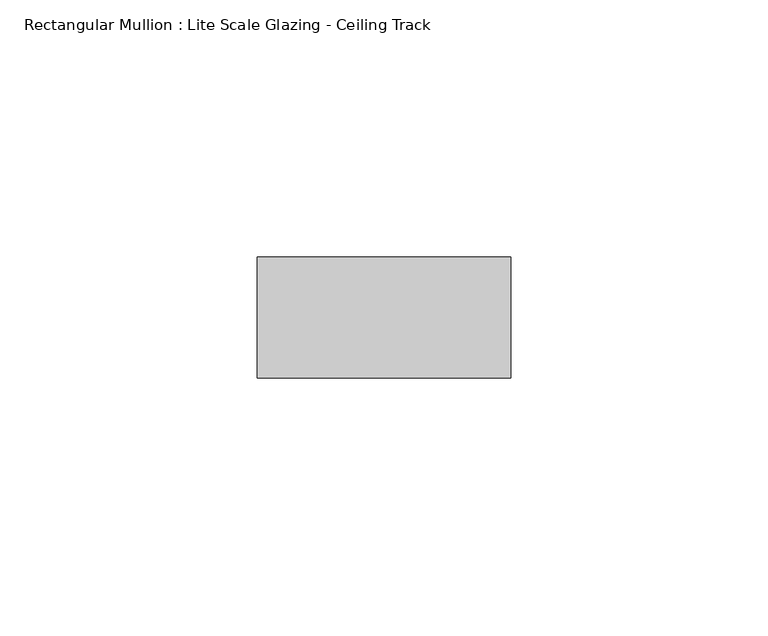
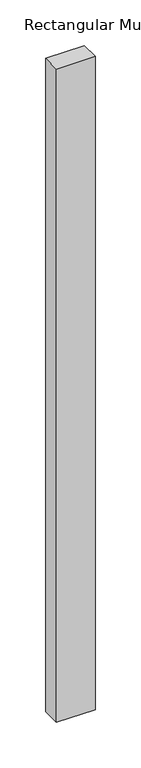
"""IFC4 building model written with IfcOpenShell, lengths in millimetres: member geometry, Rectangular Mullion : Lite Scale Glazing - Ceiling Track."""

from ifc_helpers import new_model, si_unit, frame, origin, place, context, project, spatial, polyline, outline, extrude, source, transform, mapped, element, save


def rectangular_mullion_lite_scale_glazing_ceiling_track_a9dc7a4d(model_context):
    return source(origin(), model_context, "Body", "SweptSolid", [
        extrude(outline(polyline([(-49.276, -11.7474999), (-49.276, 11.7474999), (0.0, 11.7474999), (0.0, -11.7474999), (-49.276, -11.7474999)])), frame((0.0, 0.0, -876.3), z_axis=(0.0, 0.0, 1.0), x_axis=(1.0, 0.0, 0.0)), (0.0, 0.0, 1.0), 876.3),
    ])


if __name__ == "__main__":
    model = new_model("IFC4")
    model_context = context("Model", 3, world=origin())
    ifc_project = project(units=[si_unit("LENGTHUNIT", "METRE", prefix="MILLI")], contexts=[model_context])
    site = spatial("IfcSite", under=ifc_project)
    building = spatial("IfcBuilding", under=site)
    placement = place(None, origin())
    rectangular_mullion_lite_scale_glazing_ceiling_track_shape = rectangular_mullion_lite_scale_glazing_ceiling_track_a9dc7a4d(model_context)
    element("IfcMember", 1, ObjectType="Rectangular Mullion : Lite Scale Glazing - Ceiling Track", at=placement, inside=building, context=model_context, shape_type="MappedRepresentation", body=[
        mapped(rectangular_mullion_lite_scale_glazing_ceiling_track_shape, transform((0.0, 0.0, 0.0), x_axis=(1.0, 0.0, 0.0), y_axis=(0.0, 1.0, 0.0), z_axis=(0.0, 0.0, 1.0))),
    ])
    save(model, "model.ifc")
